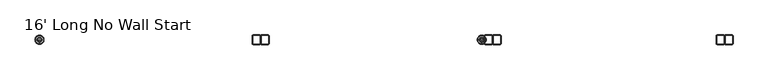
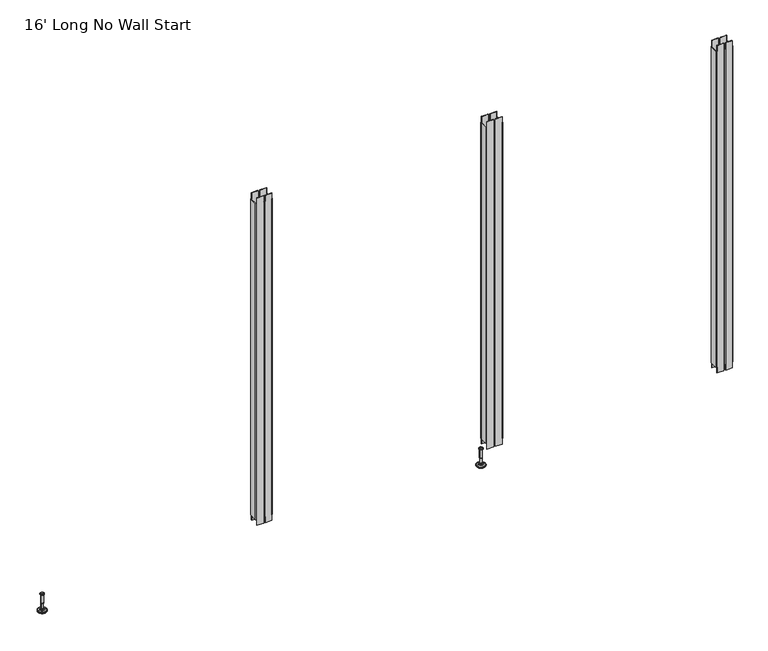
"""IFC4 building model written with IfcOpenShell, lengths in millimetres: furniture geometry, 16' Long No Wall Start."""

from ifc_helpers import new_model, si_unit, frame, origin, place, context, project, spatial, polyline, circle_curve, faceted_brep, source, transform, mapped, element, save
from ifc_brep_helpers import plane_surface, cylinder_surface, revolved_surface, advanced_brep


def furniture_16_long_no_wall_start_f617c77d(model_context):
    return source(origin(), model_context, "Body", "SolidModel", [
        advanced_brep(
        [(2381.0635677, 0.0, 103.7082), (2390.0414891, 0.0, 103.7082), (2372.0856463, 0.0, 103.7082), (2366.9593278, 0.0, 2.1288943), (2395.1678076, 0.0, 2.1288943), (2381.0635677, 0.0, 2.1288943), (2362.081296, 0.0, 3.5276474), (2400.0458394, 0.0, 3.5276474), (2358.319381, 0.0, 6.8476056), (2403.8077544, 0.0, 6.8476056), (2357.2019314, 0.0, 9.6133905), (2404.925204, 0.0, 9.6133905), (2357.2019314, 0.0, 10.4147967), (2404.925204, 0.0, 10.4147967), (2358.0443346, 0.0, 11.9551348), (2404.0828008, 0.0, 11.9551348), (2359.1444772, 0.0, 12.9457077), (2402.9826582, 0.0, 12.9457077), (2366.4481724, 0.0, 14.8420946), (2395.678963, 0.0, 14.8420946), (2373.8663238, 0.0, 15.4910987), (2388.2608116, 0.0, 15.4910987), (2373.8663238, 0.0, 16.2854758), (2388.2608116, 0.0, 16.2854758), (2376.2631166, 0.0, 16.2854758), (2385.8640188, 0.0, 16.2854758), (2376.2631166, 0.0, 20.9180403), (2385.8640188, 0.0, 20.9180403), (2375.247264, 0.0, 21.9338929), (2386.8798714, 0.0, 21.9338929), (2375.247264, 0.0, 50.4138352), (2386.8798714, 0.0, 50.4138352), (2374.0237361, 0.0, 52.0375116), (2388.1033993, 0.0, 52.0375116), (2374.0237361, 0.0, 99.435423), (2388.1033993, 0.0, 99.435423), (2373.1426317, 0.0, 99.7561188), (2388.9845037, 0.0, 99.7561188), (2372.0936428, 0.0, 99.7561188), (2390.0334926, 0.0, 99.7561188), (2370.4286129, 0.0, 100.7174242), (2391.6985225, 0.0, 100.7174242), (2370.4286129, 0.0, 102.7125539), (2391.6985225, 0.0, 102.7125539)],
        [
            (0, 1),
            (1, 2, circle_curve(frame((2381.0635677, 0.0, 103.7082), z_axis=(0.0, 0.0, 1.0), x_axis=(1.0, 0.0, 0.0)), 8.9779214)),
            (2, 0),
            (2, 1, circle_curve(frame((2381.0635677, 0.0, 103.7082), z_axis=(0.0, 0.0, 1.0), x_axis=(1.0, 0.0, 0.0)), 8.9779214)),
            (3, 4, circle_curve(frame((2381.0635677, 0.0, 2.1288943), z_axis=(0.0, 0.0, -1.0), x_axis=(1.0, 0.0, 0.0)), 14.1042399)),
            (4, 5),
            (5, 3),
            (4, 3, circle_curve(frame((2381.0635677, 0.0, 2.1288943), z_axis=(0.0, 0.0, -1.0), x_axis=(1.0, 0.0, 0.0)), 14.1042399)),
            (6, 7, circle_curve(frame((2381.0635677, 0.0, 3.5276474), z_axis=(0.0, 0.0, -1.0), x_axis=(1.0, 0.0, 0.0)), 18.9822717)),
            (7, 4),
            (3, 6),
            (7, 6, circle_curve(frame((2381.0635677, 0.0, 3.5276474), z_axis=(0.0, 0.0, -1.0), x_axis=(1.0, 0.0, 0.0)), 18.9822717)),
            (8, 9, circle_curve(frame((2381.0635677, 0.0, 6.8476056), z_axis=(0.0, 0.0, -1.0), x_axis=(1.0, 0.0, 0.0)), 22.7441867)),
            (9, 7),
            (6, 8),
            (9, 8, circle_curve(frame((2381.0635677, 0.0, 6.8476056), z_axis=(0.0, 0.0, -1.0), x_axis=(1.0, 0.0, 0.0)), 22.7441867)),
            (10, 11, circle_curve(frame((2381.0635677, 0.0, 9.6133905), z_axis=(0.0, 0.0, -1.0), x_axis=(1.0, 0.0, 0.0)), 23.8616363)),
            (11, 9),
            (8, 10),
            (11, 10, circle_curve(frame((2381.0635677, 0.0, 9.6133905), z_axis=(0.0, 0.0, -1.0), x_axis=(1.0, 0.0, 0.0)), 23.8616363)),
            (12, 13, circle_curve(frame((2381.0635677, 0.0, 10.4147967), z_axis=(0.0, 0.0, -1.0), x_axis=(1.0, 0.0, 0.0)), 23.8616363)),
            (13, 11),
            (10, 12),
            (13, 12, circle_curve(frame((2381.0635677, 0.0, 10.4147967), z_axis=(0.0, 0.0, -1.0), x_axis=(1.0, 0.0, 0.0)), 23.8616363)),
            (14, 15, circle_curve(frame((2381.0635677, 0.0, 11.9551348), z_axis=(0.0, 0.0, -1.0), x_axis=(1.0, 0.0, 0.0)), 23.0192331)),
            (15, 13),
            (12, 14),
            (15, 14, circle_curve(frame((2381.0635677, 0.0, 11.9551348), z_axis=(0.0, 0.0, -1.0), x_axis=(1.0, 0.0, 0.0)), 23.0192331)),
            (16, 17, circle_curve(frame((2381.0635677, 0.0, 12.9457077), z_axis=(0.0, 0.0, -1.0), x_axis=(1.0, 0.0, 0.0)), 21.9190905)),
            (17, 15),
            (14, 16),
            (17, 16, circle_curve(frame((2381.0635677, 0.0, 12.9457077), z_axis=(0.0, 0.0, -1.0), x_axis=(1.0, 0.0, 0.0)), 21.9190905)),
            (18, 19, circle_curve(frame((2381.0635677, 0.0, 14.8420946), z_axis=(0.0, 0.0, -1.0), x_axis=(1.0, 0.0, 0.0)), 14.6153953)),
            (19, 17),
            (16, 18),
            (19, 18, circle_curve(frame((2381.0635677, 0.0, 14.8420946), z_axis=(0.0, 0.0, -1.0), x_axis=(1.0, 0.0, 0.0)), 14.6153953)),
            (20, 21, circle_curve(frame((2381.0635677, 0.0, 15.4910987), z_axis=(0.0, 0.0, -1.0), x_axis=(1.0, 0.0, 0.0)), 7.1972439)),
            (21, 19),
            (18, 20),
            (21, 20, circle_curve(frame((2381.0635677, 0.0, 15.4910987), z_axis=(0.0, 0.0, -1.0), x_axis=(1.0, 0.0, 0.0)), 7.1972439)),
            (22, 23, circle_curve(frame((2381.0635677, 0.0, 16.2854758), z_axis=(0.0, 0.0, -1.0), x_axis=(1.0, 0.0, 0.0)), 7.1972439)),
            (23, 21),
            (20, 22),
            (23, 22, circle_curve(frame((2381.0635677, 0.0, 16.2854758), z_axis=(0.0, 0.0, -1.0), x_axis=(1.0, 0.0, 0.0)), 7.1972439)),
            (24, 25, circle_curve(frame((2381.0635677, 0.0, 16.2854758), z_axis=(0.0, 0.0, -1.0), x_axis=(1.0, 0.0, 0.0)), 4.8004511)),
            (25, 23),
            (22, 24),
            (25, 24, circle_curve(frame((2381.0635677, 0.0, 16.2854758), z_axis=(0.0, 0.0, -1.0), x_axis=(1.0, 0.0, 0.0)), 4.8004511)),
            (26, 27, circle_curve(frame((2381.0635677, 0.0, 20.9180403), z_axis=(0.0, 0.0, -1.0), x_axis=(1.0, 0.0, 0.0)), 4.8004511)),
            (27, 25),
            (24, 26),
            (27, 26, circle_curve(frame((2381.0635677, 0.0, 20.9180403), z_axis=(0.0, 0.0, -1.0), x_axis=(1.0, 0.0, 0.0)), 4.8004511)),
            (28, 29, circle_curve(frame((2381.0635677, 0.0, 21.9338929), z_axis=(0.0, 0.0, -1.0), x_axis=(1.0, 0.0, 0.0)), 5.8163037)),
            (29, 27),
            (26, 28),
            (29, 28, circle_curve(frame((2381.0635677, 0.0, 21.9338929), z_axis=(0.0, 0.0, -1.0), x_axis=(1.0, 0.0, 0.0)), 5.8163037)),
            (30, 31, circle_curve(frame((2381.0635677, 0.0, 50.4138352), z_axis=(0.0, 0.0, -1.0), x_axis=(1.0, 0.0, 0.0)), 5.8163037)),
            (31, 29),
            (28, 30),
            (31, 30, circle_curve(frame((2381.0635677, 0.0, 50.4138352), z_axis=(0.0, 0.0, -1.0), x_axis=(1.0, 0.0, 0.0)), 5.8163037)),
            (32, 33, circle_curve(frame((2381.0635677, 0.0, 52.0375116), z_axis=(0.0, 0.0, -1.0), x_axis=(1.0, 0.0, 0.0)), 7.0398316)),
            (33, 31),
            (30, 32),
            (33, 32, circle_curve(frame((2381.0635677, 0.0, 52.0375116), z_axis=(0.0, 0.0, -1.0), x_axis=(1.0, 0.0, 0.0)), 7.0398316)),
            (34, 35, circle_curve(frame((2381.0635677, 0.0, 99.435423), z_axis=(0.0, 0.0, -1.0), x_axis=(1.0, 0.0, 0.0)), 7.0398316)),
            (35, 33),
            (32, 34),
            (35, 34, circle_curve(frame((2381.0635677, 0.0, 99.435423), z_axis=(0.0, 0.0, -1.0), x_axis=(1.0, 0.0, 0.0)), 7.0398316)),
            (36, 37, circle_curve(frame((2381.0635677, 0.0, 99.7561188), z_axis=(0.0, 0.0, -1.0), x_axis=(1.0, 0.0, 0.0)), 7.920936)),
            (37, 35),
            (34, 36),
            (37, 36, circle_curve(frame((2381.0635677, 0.0, 99.7561188), z_axis=(0.0, 0.0, -1.0), x_axis=(1.0, 0.0, 0.0)), 7.920936)),
            (38, 39, circle_curve(frame((2381.0635677, 0.0, 99.7561188), z_axis=(0.0, 0.0, -1.0), x_axis=(1.0, 0.0, 0.0)), 8.9699249)),
            (39, 37),
            (36, 38),
            (39, 38, circle_curve(frame((2381.0635677, 0.0, 99.7561188), z_axis=(0.0, 0.0, -1.0), x_axis=(1.0, 0.0, 0.0)), 8.9699249)),
            (40, 41, circle_curve(frame((2381.0635677, 0.0, 100.7174242), z_axis=(0.0, 0.0, -1.0), x_axis=(1.0, 0.0, 0.0)), 10.6349548)),
            (41, 39),
            (38, 40),
            (41, 40, circle_curve(frame((2381.0635677, 0.0, 100.7174242), z_axis=(0.0, 0.0, -1.0), x_axis=(1.0, 0.0, 0.0)), 10.6349548)),
            (42, 43, circle_curve(frame((2381.0635677, 0.0, 102.7125539), z_axis=(0.0, 0.0, -1.0), x_axis=(1.0, 0.0, 0.0)), 10.6349548)),
            (43, 41),
            (40, 42),
            (43, 42, circle_curve(frame((2381.0635677, 0.0, 102.7125539), z_axis=(0.0, 0.0, -1.0), x_axis=(1.0, 0.0, 0.0)), 10.6349548)),
            (1, 43),
            (42, 2),
        ],
        [
            plane_surface(frame((2381.0635677, 0.0, 103.7082), z_axis=(0.0, 0.0, 1.0), x_axis=(1.0, 0.0, 0.0))),
            plane_surface(frame((2381.0635677, 0.0, 2.1288943), z_axis=(0.0, 0.0, -1.0), x_axis=(1.0, 0.0, 0.0))),
            revolved_surface(polyline([(2395.1678076, 0.0, 2.1288943), (2400.0458394, 0.0, 3.5276474)]), (2381.0635677, 0.0, 103.7082), (0.0, 0.0, 1.0)),
            revolved_surface(polyline([(2400.0458394, 0.0, 3.5276474), (2403.8077544, 0.0, 6.8476056)]), (2381.0635677, 0.0, 103.7082), (0.0, 0.0, 1.0)),
            revolved_surface(polyline([(2403.8077544, 0.0, 6.8476056), (2404.925204, 0.0, 9.6133905)]), (2381.0635677, 0.0, 103.7082), (0.0, 0.0, 1.0)),
            cylinder_surface(frame((2381.0635677, 0.0, 103.7082), z_axis=(0.0, 0.0, 1.0), x_axis=(1.0, 0.0, 0.0)), 23.8616363),
            revolved_surface(polyline([(2404.925204, 0.0, 10.4147967), (2404.0828008, 0.0, 11.9551348)]), (2381.0635677, 0.0, 103.7082), (0.0, 0.0, 1.0)),
            revolved_surface(polyline([(2404.0828008, 0.0, 11.9551348), (2402.9826582, 0.0, 12.9457077)]), (2381.0635677, 0.0, 103.7082), (0.0, 0.0, 1.0)),
            revolved_surface(polyline([(2402.9826582, 0.0, 12.9457077), (2395.678963, 0.0, 14.8420946)]), (2381.0635677, 0.0, 103.7082), (0.0, 0.0, 1.0)),
            revolved_surface(polyline([(2395.678963, 0.0, 14.8420946), (2388.2608116, 0.0, 15.4910987)]), (2381.0635677, 0.0, 103.7082), (0.0, 0.0, 1.0)),
            cylinder_surface(frame((2381.0635677, 0.0, 103.7082), z_axis=(0.0, 0.0, 1.0), x_axis=(1.0, 0.0, 0.0)), 7.1972439),
            plane_surface(frame((2381.0635677, 0.0, 16.2854758), z_axis=(0.0, 0.0, 1.0), x_axis=(1.0, 0.0, 0.0))),
            cylinder_surface(frame((2381.0635677, 0.0, 103.7082), z_axis=(0.0, 0.0, 1.0), x_axis=(1.0, 0.0, 0.0)), 4.8004511),
            revolved_surface(polyline([(2385.8640188, 0.0, 20.9180403), (2386.8798714, 0.0, 21.9338929)]), (2381.0635677, 0.0, 103.7082), (0.0, 0.0, 1.0)),
            cylinder_surface(frame((2381.0635677, 0.0, 103.7082), z_axis=(0.0, 0.0, 1.0), x_axis=(1.0, 0.0, 0.0)), 5.8163037),
            revolved_surface(polyline([(2386.8798714, 0.0, 50.4138352), (2388.1033993, 0.0, 52.0375116)]), (2381.0635677, 0.0, 103.7082), (0.0, 0.0, 1.0)),
            cylinder_surface(frame((2381.0635677, 0.0, 103.7082), z_axis=(0.0, 0.0, 1.0), x_axis=(1.0, 0.0, 0.0)), 7.0398316),
            revolved_surface(polyline([(2388.1033993, 0.0, 99.435423), (2388.9845037, 0.0, 99.7561188)]), (2381.0635677, 0.0, 103.7082), (0.0, 0.0, 1.0)),
            plane_surface(frame((2381.0635677, 0.0, 99.7561188), z_axis=(0.0, 0.0, -1.0), x_axis=(1.0, 0.0, 0.0))),
            revolved_surface(polyline([(2390.0334926, 0.0, 99.7561188), (2391.6985225, 0.0, 100.7174242)]), (2381.0635677, 0.0, 103.7082), (0.0, 0.0, 1.0)),
            cylinder_surface(frame((2381.0635677, 0.0, 103.7082), z_axis=(0.0, 0.0, 1.0), x_axis=(1.0, 0.0, 0.0)), 10.6349548),
            revolved_surface(polyline([(2391.6985225, 0.0, 102.7125539), (2390.0414891, 0.0, 103.7082)]), (2381.0635677, 0.0, 103.7082), (0.0, 0.0, 1.0)),
        ],
        [
            (0, [[1, 2, 3]]),
            (0, [[-3, 4, -1]]),
            (1, [[5, 6, 7]]),
            (1, [[8, -7, -6]]),
            (2, [[9, 10, -5, 11]]),
            (2, [[12, -11, -8, -10]]),
            (3, [[13, 14, -9, 15]]),
            (3, [[16, -15, -12, -14]]),
            (4, [[17, 18, -13, 19]]),
            (4, [[20, -19, -16, -18]]),
            (5, [[21, 22, -17, 23]]),
            (5, [[24, -23, -20, -22]]),
            (6, [[25, 26, -21, 27]]),
            (6, [[28, -27, -24, -26]]),
            (7, [[29, 30, -25, 31]]),
            (7, [[32, -31, -28, -30]]),
            (8, [[33, 34, -29, 35]]),
            (8, [[36, -35, -32, -34]]),
            (9, [[37, 38, -33, 39]]),
            (9, [[40, -39, -36, -38]]),
            (10, [[41, 42, -37, 43]]),
            (10, [[44, -43, -40, -42]]),
            (11, [[45, 46, -41, 47]]),
            (11, [[48, -47, -44, -46]]),
            (12, [[49, 50, -45, 51]]),
            (12, [[52, -51, -48, -50]]),
            (13, [[53, 54, -49, 55]]),
            (13, [[56, -55, -52, -54]]),
            (14, [[57, 58, -53, 59]]),
            (14, [[60, -59, -56, -58]]),
            (15, [[61, 62, -57, 63]]),
            (15, [[64, -63, -60, -62]]),
            (16, [[65, 66, -61, 67]]),
            (16, [[68, -67, -64, -66]]),
            (17, [[69, 70, -65, 71]]),
            (17, [[72, -71, -68, -70]]),
            (18, [[73, 74, -69, 75]]),
            (18, [[76, -75, -72, -74]]),
            (19, [[77, 78, -73, 79]]),
            (19, [[80, -79, -76, -78]]),
            (20, [[81, 82, -77, 83]]),
            (20, [[84, -83, -80, -82]]),
            (21, [[-2, 85, -81, 86]]),
            (21, [[-4, -86, -84, -85]]),
        ],
    ),
        advanced_brep(
        [(57.0627865, 0.0, 103.7082), (66.0407079, 0.0, 103.7082), (48.084865, 0.0, 103.7082), (42.9585465, 0.0, 2.1288943), (71.1670264, 0.0, 2.1288943), (57.0627865, 0.0, 2.1288943), (38.0805148, 0.0, 3.5276474), (76.0450581, 0.0, 3.5276474), (34.3185997, 0.0, 6.8476056), (79.8069732, 0.0, 6.8476056), (33.2011501, 0.0, 9.6133905), (80.9244228, 0.0, 9.6133905), (33.2011501, 0.0, 10.4147967), (80.9244228, 0.0, 10.4147967), (34.0435533, 0.0, 11.9551348), (80.0820196, 0.0, 11.9551348), (35.143696, 0.0, 12.9457077), (78.9818769, 0.0, 12.9457077), (42.4473912, 0.0, 14.8420946), (71.6781817, 0.0, 14.8420946), (49.8655426, 0.0, 15.4910987), (64.2600304, 0.0, 15.4910987), (49.8655426, 0.0, 16.2854758), (64.2600304, 0.0, 16.2854758), (52.2623354, 0.0, 16.2854758), (61.8632375, 0.0, 16.2854758), (52.2623354, 0.0, 20.9180403), (61.8632375, 0.0, 20.9180403), (51.2464827, 0.0, 21.9338929), (62.8790902, 0.0, 21.9338929), (51.2464827, 0.0, 50.4138352), (62.8790902, 0.0, 50.4138352), (50.0229548, 0.0, 52.0375116), (64.1026181, 0.0, 52.0375116), (50.0229548, 0.0, 99.435423), (64.1026181, 0.0, 99.435423), (49.1418505, 0.0, 99.7561188), (64.9837224, 0.0, 99.7561188), (48.0928615, 0.0, 99.7561188), (66.0327114, 0.0, 99.7561188), (46.4278316, 0.0, 100.7174242), (67.6977413, 0.0, 100.7174242), (46.4278316, 0.0, 102.7125539), (67.6977413, 0.0, 102.7125539)],
        [
            (0, 1),
            (1, 2, circle_curve(frame((57.0627865, 0.0, 103.7082), z_axis=(0.0, 0.0, 1.0), x_axis=(1.0, 0.0, 0.0)), 8.9779214)),
            (2, 0),
            (2, 1, circle_curve(frame((57.0627865, 0.0, 103.7082), z_axis=(0.0, 0.0, 1.0), x_axis=(1.0, 0.0, 0.0)), 8.9779214)),
            (3, 4, circle_curve(frame((57.0627865, 0.0, 2.1288943), z_axis=(0.0, 0.0, -1.0), x_axis=(1.0, 0.0, 0.0)), 14.1042399)),
            (4, 5),
            (5, 3),
            (4, 3, circle_curve(frame((57.0627865, 0.0, 2.1288943), z_axis=(0.0, 0.0, -1.0), x_axis=(1.0, 0.0, 0.0)), 14.1042399)),
            (6, 7, circle_curve(frame((57.0627865, 0.0, 3.5276474), z_axis=(0.0, 0.0, -1.0), x_axis=(1.0, 0.0, 0.0)), 18.9822717)),
            (7, 4),
            (3, 6),
            (7, 6, circle_curve(frame((57.0627865, 0.0, 3.5276474), z_axis=(0.0, 0.0, -1.0), x_axis=(1.0, 0.0, 0.0)), 18.9822717)),
            (8, 9, circle_curve(frame((57.0627865, 0.0, 6.8476056), z_axis=(0.0, 0.0, -1.0), x_axis=(1.0, 0.0, 0.0)), 22.7441867)),
            (9, 7),
            (6, 8),
            (9, 8, circle_curve(frame((57.0627865, 0.0, 6.8476056), z_axis=(0.0, 0.0, -1.0), x_axis=(1.0, 0.0, 0.0)), 22.7441867)),
            (10, 11, circle_curve(frame((57.0627865, 0.0, 9.6133905), z_axis=(0.0, 0.0, -1.0), x_axis=(1.0, 0.0, 0.0)), 23.8616363)),
            (11, 9),
            (8, 10),
            (11, 10, circle_curve(frame((57.0627865, 0.0, 9.6133905), z_axis=(0.0, 0.0, -1.0), x_axis=(1.0, 0.0, 0.0)), 23.8616363)),
            (12, 13, circle_curve(frame((57.0627865, 0.0, 10.4147967), z_axis=(0.0, 0.0, -1.0), x_axis=(1.0, 0.0, 0.0)), 23.8616363)),
            (13, 11),
            (10, 12),
            (13, 12, circle_curve(frame((57.0627865, 0.0, 10.4147967), z_axis=(0.0, 0.0, -1.0), x_axis=(1.0, 0.0, 0.0)), 23.8616363)),
            (14, 15, circle_curve(frame((57.0627865, 0.0, 11.9551348), z_axis=(0.0, 0.0, -1.0), x_axis=(1.0, 0.0, 0.0)), 23.0192331)),
            (15, 13),
            (12, 14),
            (15, 14, circle_curve(frame((57.0627865, 0.0, 11.9551348), z_axis=(0.0, 0.0, -1.0), x_axis=(1.0, 0.0, 0.0)), 23.0192331)),
            (16, 17, circle_curve(frame((57.0627865, 0.0, 12.9457077), z_axis=(0.0, 0.0, -1.0), x_axis=(1.0, 0.0, 0.0)), 21.9190905)),
            (17, 15),
            (14, 16),
            (17, 16, circle_curve(frame((57.0627865, 0.0, 12.9457077), z_axis=(0.0, 0.0, -1.0), x_axis=(1.0, 0.0, 0.0)), 21.9190905)),
            (18, 19, circle_curve(frame((57.0627865, 0.0, 14.8420946), z_axis=(0.0, 0.0, -1.0), x_axis=(1.0, 0.0, 0.0)), 14.6153953)),
            (19, 17),
            (16, 18),
            (19, 18, circle_curve(frame((57.0627865, 0.0, 14.8420946), z_axis=(0.0, 0.0, -1.0), x_axis=(1.0, 0.0, 0.0)), 14.6153953)),
            (20, 21, circle_curve(frame((57.0627865, 0.0, 15.4910987), z_axis=(0.0, 0.0, -1.0), x_axis=(1.0, 0.0, 0.0)), 7.1972439)),
            (21, 19),
            (18, 20),
            (21, 20, circle_curve(frame((57.0627865, 0.0, 15.4910987), z_axis=(0.0, 0.0, -1.0), x_axis=(1.0, 0.0, 0.0)), 7.1972439)),
            (22, 23, circle_curve(frame((57.0627865, 0.0, 16.2854758), z_axis=(0.0, 0.0, -1.0), x_axis=(1.0, 0.0, 0.0)), 7.1972439)),
            (23, 21),
            (20, 22),
            (23, 22, circle_curve(frame((57.0627865, 0.0, 16.2854758), z_axis=(0.0, 0.0, -1.0), x_axis=(1.0, 0.0, 0.0)), 7.1972439)),
            (24, 25, circle_curve(frame((57.0627865, 0.0, 16.2854758), z_axis=(0.0, 0.0, -1.0), x_axis=(1.0, 0.0, 0.0)), 4.8004511)),
            (25, 23),
            (22, 24),
            (25, 24, circle_curve(frame((57.0627865, 0.0, 16.2854758), z_axis=(0.0, 0.0, -1.0), x_axis=(1.0, 0.0, 0.0)), 4.8004511)),
            (26, 27, circle_curve(frame((57.0627865, 0.0, 20.9180403), z_axis=(0.0, 0.0, -1.0), x_axis=(1.0, 0.0, 0.0)), 4.8004511)),
            (27, 25),
            (24, 26),
            (27, 26, circle_curve(frame((57.0627865, 0.0, 20.9180403), z_axis=(0.0, 0.0, -1.0), x_axis=(1.0, 0.0, 0.0)), 4.8004511)),
            (28, 29, circle_curve(frame((57.0627865, 0.0, 21.9338929), z_axis=(0.0, 0.0, -1.0), x_axis=(1.0, 0.0, 0.0)), 5.8163037)),
            (29, 27),
            (26, 28),
            (29, 28, circle_curve(frame((57.0627865, 0.0, 21.9338929), z_axis=(0.0, 0.0, -1.0), x_axis=(1.0, 0.0, 0.0)), 5.8163037)),
            (30, 31, circle_curve(frame((57.0627865, 0.0, 50.4138352), z_axis=(0.0, 0.0, -1.0), x_axis=(1.0, 0.0, 0.0)), 5.8163037)),
            (31, 29),
            (28, 30),
            (31, 30, circle_curve(frame((57.0627865, 0.0, 50.4138352), z_axis=(0.0, 0.0, -1.0), x_axis=(1.0, 0.0, 0.0)), 5.8163037)),
            (32, 33, circle_curve(frame((57.0627865, 0.0, 52.0375116), z_axis=(0.0, 0.0, -1.0), x_axis=(1.0, 0.0, 0.0)), 7.0398316)),
            (33, 31),
            (30, 32),
            (33, 32, circle_curve(frame((57.0627865, 0.0, 52.0375116), z_axis=(0.0, 0.0, -1.0), x_axis=(1.0, 0.0, 0.0)), 7.0398316)),
            (34, 35, circle_curve(frame((57.0627865, 0.0, 99.435423), z_axis=(0.0, 0.0, -1.0), x_axis=(1.0, 0.0, 0.0)), 7.0398316)),
            (35, 33),
            (32, 34),
            (35, 34, circle_curve(frame((57.0627865, 0.0, 99.435423), z_axis=(0.0, 0.0, -1.0), x_axis=(1.0, 0.0, 0.0)), 7.0398316)),
            (36, 37, circle_curve(frame((57.0627865, 0.0, 99.7561188), z_axis=(0.0, 0.0, -1.0), x_axis=(1.0, 0.0, 0.0)), 7.920936)),
            (37, 35),
            (34, 36),
            (37, 36, circle_curve(frame((57.0627865, 0.0, 99.7561188), z_axis=(0.0, 0.0, -1.0), x_axis=(1.0, 0.0, 0.0)), 7.920936)),
            (38, 39, circle_curve(frame((57.0627865, 0.0, 99.7561188), z_axis=(0.0, 0.0, -1.0), x_axis=(1.0, 0.0, 0.0)), 8.9699249)),
            (39, 37),
            (36, 38),
            (39, 38, circle_curve(frame((57.0627865, 0.0, 99.7561188), z_axis=(0.0, 0.0, -1.0), x_axis=(1.0, 0.0, 0.0)), 8.9699249)),
            (40, 41, circle_curve(frame((57.0627865, 0.0, 100.7174242), z_axis=(0.0, 0.0, -1.0), x_axis=(1.0, 0.0, 0.0)), 10.6349548)),
            (41, 39),
            (38, 40),
            (41, 40, circle_curve(frame((57.0627865, 0.0, 100.7174242), z_axis=(0.0, 0.0, -1.0), x_axis=(1.0, 0.0, 0.0)), 10.6349548)),
            (42, 43, circle_curve(frame((57.0627865, 0.0, 102.7125539), z_axis=(0.0, 0.0, -1.0), x_axis=(1.0, 0.0, 0.0)), 10.6349548)),
            (43, 41),
            (40, 42),
            (43, 42, circle_curve(frame((57.0627865, 0.0, 102.7125539), z_axis=(0.0, 0.0, -1.0), x_axis=(1.0, 0.0, 0.0)), 10.6349548)),
            (1, 43),
            (42, 2),
        ],
        [
            plane_surface(frame((57.0627865, 0.0, 103.7082), z_axis=(0.0, 0.0, 1.0), x_axis=(1.0, 0.0, 0.0))),
            plane_surface(frame((57.0627865, 0.0, 2.1288943), z_axis=(0.0, 0.0, -1.0), x_axis=(1.0, 0.0, 0.0))),
            revolved_surface(polyline([(71.1670264, 0.0, 2.1288943), (76.0450581, 0.0, 3.5276474)]), (57.0627865, 0.0, 103.7082), (0.0, 0.0, 1.0)),
            revolved_surface(polyline([(76.0450581, 0.0, 3.5276474), (79.8069732, 0.0, 6.8476056)]), (57.0627865, 0.0, 103.7082), (0.0, 0.0, 1.0)),
            revolved_surface(polyline([(79.8069732, 0.0, 6.8476056), (80.9244228, 0.0, 9.6133905)]), (57.0627865, 0.0, 103.7082), (0.0, 0.0, 1.0)),
            cylinder_surface(frame((57.0627865, 0.0, 103.7082), z_axis=(0.0, 0.0, 1.0), x_axis=(1.0, 0.0, 0.0)), 23.8616363),
            revolved_surface(polyline([(80.9244228, 0.0, 10.4147967), (80.0820196, 0.0, 11.9551348)]), (57.0627865, 0.0, 103.7082), (0.0, 0.0, 1.0)),
            revolved_surface(polyline([(80.0820196, 0.0, 11.9551348), (78.9818769, 0.0, 12.9457077)]), (57.0627865, 0.0, 103.7082), (0.0, 0.0, 1.0)),
            revolved_surface(polyline([(78.9818769, 0.0, 12.9457077), (71.6781817, 0.0, 14.8420946)]), (57.0627865, 0.0, 103.7082), (0.0, 0.0, 1.0)),
            revolved_surface(polyline([(71.6781817, 0.0, 14.8420946), (64.2600304, 0.0, 15.4910987)]), (57.0627865, 0.0, 103.7082), (0.0, 0.0, 1.0)),
            cylinder_surface(frame((57.0627865, 0.0, 103.7082), z_axis=(0.0, 0.0, 1.0), x_axis=(1.0, 0.0, 0.0)), 7.1972439),
            plane_surface(frame((57.0627865, 0.0, 16.2854758), z_axis=(0.0, 0.0, 1.0), x_axis=(1.0, 0.0, 0.0))),
            cylinder_surface(frame((57.0627865, 0.0, 103.7082), z_axis=(0.0, 0.0, 1.0), x_axis=(1.0, 0.0, 0.0)), 4.8004511),
            revolved_surface(polyline([(61.8632375, 0.0, 20.9180403), (62.8790902, 0.0, 21.9338929)]), (57.0627865, 0.0, 103.7082), (0.0, 0.0, 1.0)),
            cylinder_surface(frame((57.0627865, 0.0, 103.7082), z_axis=(0.0, 0.0, 1.0), x_axis=(1.0, 0.0, 0.0)), 5.8163037),
            revolved_surface(polyline([(62.8790902, 0.0, 50.4138352), (64.1026181, 0.0, 52.0375116)]), (57.0627865, 0.0, 103.7082), (0.0, 0.0, 1.0)),
            cylinder_surface(frame((57.0627865, 0.0, 103.7082), z_axis=(0.0, 0.0, 1.0), x_axis=(1.0, 0.0, 0.0)), 7.0398316),
            revolved_surface(polyline([(64.1026181, 0.0, 99.435423), (64.9837224, 0.0, 99.7561188)]), (57.0627865, 0.0, 103.7082), (0.0, 0.0, 1.0)),
            plane_surface(frame((57.0627865, 0.0, 99.7561188), z_axis=(0.0, 0.0, -1.0), x_axis=(1.0, 0.0, 0.0))),
            revolved_surface(polyline([(66.0327114, 0.0, 99.7561188), (67.6977413, 0.0, 100.7174242)]), (57.0627865, 0.0, 103.7082), (0.0, 0.0, 1.0)),
            cylinder_surface(frame((57.0627865, 0.0, 103.7082), z_axis=(0.0, 0.0, 1.0), x_axis=(1.0, 0.0, 0.0)), 10.6349548),
            revolved_surface(polyline([(67.6977413, 0.0, 102.7125539), (66.0407079, 0.0, 103.7082)]), (57.0627865, 0.0, 103.7082), (0.0, 0.0, 1.0)),
        ],
        [
            (0, [[1, 2, 3]]),
            (0, [[-3, 4, -1]]),
            (1, [[5, 6, 7]]),
            (1, [[8, -7, -6]]),
            (2, [[9, 10, -5, 11]]),
            (2, [[12, -11, -8, -10]]),
            (3, [[13, 14, -9, 15]]),
            (3, [[16, -15, -12, -14]]),
            (4, [[17, 18, -13, 19]]),
            (4, [[20, -19, -16, -18]]),
            (5, [[21, 22, -17, 23]]),
            (5, [[24, -23, -20, -22]]),
            (6, [[25, 26, -21, 27]]),
            (6, [[28, -27, -24, -26]]),
            (7, [[29, 30, -25, 31]]),
            (7, [[32, -31, -28, -30]]),
            (8, [[33, 34, -29, 35]]),
            (8, [[36, -35, -32, -34]]),
            (9, [[37, 38, -33, 39]]),
            (9, [[40, -39, -36, -38]]),
            (10, [[41, 42, -37, 43]]),
            (10, [[44, -43, -40, -42]]),
            (11, [[45, 46, -41, 47]]),
            (11, [[48, -47, -44, -46]]),
            (12, [[49, 50, -45, 51]]),
            (12, [[52, -51, -48, -50]]),
            (13, [[53, 54, -49, 55]]),
            (13, [[56, -55, -52, -54]]),
            (14, [[57, 58, -53, 59]]),
            (14, [[60, -59, -56, -58]]),
            (15, [[61, 62, -57, 63]]),
            (15, [[64, -63, -60, -62]]),
            (16, [[65, 66, -61, 67]]),
            (16, [[68, -67, -64, -66]]),
            (17, [[69, 70, -65, 71]]),
            (17, [[72, -71, -68, -70]]),
            (18, [[73, 74, -69, 75]]),
            (18, [[76, -75, -72, -74]]),
            (19, [[77, 78, -73, 79]]),
            (19, [[80, -79, -76, -78]]),
            (20, [[81, 82, -77, 83]]),
            (20, [[84, -83, -80, -82]]),
            (21, [[-2, 85, -81, 86]]),
            (21, [[-4, -86, -84, -85]]),
        ],
    ),
        faceted_brep([(1223.6958, 25.4, 1939.7490515), (1223.6958, 23.1181008, 1939.7490515), (1224.1151471, 23.2918, 1939.7490515), (1258.7348529, 23.2918, 1939.7490515), (1259.1542, 23.1181008, 1939.7490515), (1259.1542, 25.4, 1939.7490515), (1259.1542, -25.4, 1939.7490515), (1259.1542, -23.1181008, 1939.7490515), (1258.7348529, -23.2918, 1939.7490515), (1224.1151471, -23.2918, 1939.7490515), (1223.6958, -23.1181008, 1939.7490515), (1223.6958, -25.4, 1939.7490515), (1223.6958, -25.4, 106.8850515), (1223.6958, -23.1181008, 106.8850515), (1224.1151471, -23.2918, 106.8850515), (1258.7348529, -23.2918, 106.8850515), (1259.1542, -23.1181008, 106.8850515), (1259.1542, -25.4, 106.8850515), (1259.1542, 25.4, 106.8850515), (1259.1542, 23.1181008, 106.8850515), (1258.7348529, 23.2918, 106.8850515), (1224.1151471, 23.2918, 106.8850515), (1223.6958, 23.1181008, 106.8850515), (1223.6958, 25.4, 106.8850515), (1263.65, -20.9042, 1907.7450515), (1263.65, -20.9042, 138.8890515), (1263.65, 20.9042, 138.8890515), (1263.65, 20.9042, 1907.7450515), (1223.6958, -25.4, 1907.7450515), (1223.6958, -25.4, 138.8890515), (1259.1542, -25.4, 138.8890515), (1259.1542, -25.4, 1907.7450515), (1219.2, -20.9042, 138.8890515), (1219.2, -20.9042, 1907.7450515), (1219.2, 20.9042, 1907.7450515), (1219.2, 20.9042, 138.8890515), (1259.1542, 25.4, 1907.7450515), (1259.1542, 25.4, 138.8890515), (1223.6958, 25.4, 138.8890515), (1223.6958, 25.4, 1907.7450515), (1262.3332107, 24.0832107, 1907.7450515), (1262.3332107, 24.0832107, 138.8890515), (1262.3332107, -24.0832107, 1907.7450515), (1262.3332107, -24.0832107, 138.8890515), (1220.5167893, -24.0832107, 1907.7450515), (1220.5167893, -24.0832107, 138.8890515), (1220.5167893, 24.0832107, 1907.7450515), (1220.5167893, 24.0832107, 138.8890515), (1261.5418, 20.4848529, 1907.7450515), (1261.5418, 20.4848529, 138.8890515), (1261.5418, -20.4848529, 138.8890515), (1261.5418, -20.4848529, 1907.7450515), (1260.7196642, 22.4696642, 1907.7450515), (1260.7196642, 22.4696642, 138.8890515), (1259.1542, 23.1181008, 138.8890515), (1259.1542, 23.1181008, 1907.7450515), (1223.6958, 23.1181008, 1907.7450515), (1222.1303358, 22.4696642, 1907.7450515), (1222.1303358, 22.4696642, 138.8890515), (1223.6958, 23.1181008, 138.8890515), (1221.3082, 20.4848529, 1907.7450515), (1221.3082, 20.4848529, 138.8890515), (1221.3082, -20.4848529, 1907.7450515), (1221.3082, -20.4848529, 138.8890515), (1222.1303358, -22.4696642, 1907.7450515), (1222.1303358, -22.4696642, 138.8890515), (1223.6958, -23.1181008, 138.8890515), (1223.6958, -23.1181008, 1907.7450515), (1259.1542, -23.1181008, 1907.7450515), (1260.7196642, -22.4696642, 1907.7450515), (1260.7196642, -22.4696642, 138.8890515), (1259.1542, -23.1181008, 138.8890515)], [[[0, 1, 2, 3, 4, 5]], [[6, 7, 8, 9, 10, 11]], [[12, 13, 14, 15, 16, 17]], [[18, 19, 20, 21, 22, 23]], [[24, 25, 26, 27]], [[11, 28, 29, 12, 17, 30, 31, 6]], [[32, 33, 34, 35]], [[5, 36, 37, 18, 23, 38, 39, 0]], [[40, 41, 37, 36]], [[27, 26, 41, 40]], [[42, 43, 25, 24]], [[31, 30, 43, 42]], [[29, 28, 44, 45]], [[45, 44, 33, 32]], [[35, 34, 46, 47]], [[47, 46, 39, 38]], [[48, 49, 50, 51]], [[52, 53, 49, 48]], [[20, 19, 54, 53, 52, 55, 4, 3]], [[2, 21, 20, 3]], [[2, 1, 56, 57, 58, 59, 22, 21]], [[58, 57, 60, 61]], [[61, 60, 62, 63]], [[63, 62, 64, 65]], [[14, 13, 66, 65, 64, 67, 10, 9]], [[8, 15, 14, 9]], [[8, 7, 68, 69, 70, 71, 16, 15]], [[51, 50, 70, 69]], [[55, 52, 48, 51, 69, 68, 31, 42, 24, 27, 40, 36]], [[36, 5, 4, 55]], [[68, 7, 6, 31]], [[37, 41, 26, 25, 43, 30, 71, 70, 50, 49, 53, 54]], [[30, 17, 16, 71]], [[54, 19, 18, 37]], [[59, 58, 61, 63, 65, 66, 29, 45, 32, 35, 47, 38]], [[38, 23, 22, 59]], [[66, 13, 12, 29]], [[39, 46, 34, 33, 44, 28, 67, 64, 62, 60, 57, 56]], [[28, 11, 10, 67]], [[56, 1, 0, 39]]]),
        faceted_brep([(1179.2458, 25.4, 1939.7490515), (1179.2458, 23.1181008, 1939.7490515), (1179.6651471, 23.2918, 1939.7490515), (1214.2848529, 23.2918, 1939.7490515), (1214.7042, 23.1181008, 1939.7490515), (1214.7042, 25.4, 1939.7490515), (1214.7042, -25.4, 1939.7490515), (1214.7042, -23.1181008, 1939.7490515), (1214.2848529, -23.2918, 1939.7490515), (1179.6651471, -23.2918, 1939.7490515), (1179.2458, -23.1181008, 1939.7490515), (1179.2458, -25.4, 1939.7490515), (1179.2458, -25.4, 106.8850515), (1179.2458, -23.1181008, 106.8850515), (1179.6651471, -23.2918, 106.8850515), (1214.2848529, -23.2918, 106.8850515), (1214.7042, -23.1181008, 106.8850515), (1214.7042, -25.4, 106.8850515), (1214.7042, 25.4, 106.8850515), (1214.7042, 23.1181008, 106.8850515), (1214.2848529, 23.2918, 106.8850515), (1179.6651471, 23.2918, 106.8850515), (1179.2458, 23.1181008, 106.8850515), (1179.2458, 25.4, 106.8850515), (1174.75, 20.9042, 1907.7450515), (1174.75, 20.9042, 138.8890515), (1174.75, -20.9042, 138.8890515), (1174.75, -20.9042, 1907.7450515), (1179.2458, -25.4, 1907.7450515), (1179.2458, -25.4, 138.8890515), (1214.7042, -25.4, 138.8890515), (1214.7042, -25.4, 1907.7450515), (1219.2, -20.9042, 1907.7450515), (1219.2, -20.9042, 138.8890515), (1219.2, 20.9042, 138.8890515), (1219.2, 20.9042, 1907.7450515), (1214.7042, 25.4, 1907.7450515), (1214.7042, 25.4, 138.8890515), (1179.2458, 25.4, 138.8890515), (1179.2458, 25.4, 1907.7450515), (1176.0667893, 24.0832107, 138.8890515), (1176.0667893, 24.0832107, 1907.7450515), (1176.0667893, -24.0832107, 138.8890515), (1176.0667893, -24.0832107, 1907.7450515), (1217.8832107, -24.0832107, 138.8890515), (1217.8832107, -24.0832107, 1907.7450515), (1217.8832107, 24.0832107, 138.8890515), (1217.8832107, 24.0832107, 1907.7450515), (1176.8582, -20.4848529, 1907.7450515), (1176.8582, -20.4848529, 138.8890515), (1176.8582, 20.4848529, 138.8890515), (1176.8582, 20.4848529, 1907.7450515), (1177.6803358, 22.4696642, 138.8890515), (1177.6803358, 22.4696642, 1907.7450515), (1179.2458, 23.1181008, 1907.7450515), (1179.2458, 23.1181008, 138.8890515), (1214.7042, 23.1181008, 138.8890515), (1216.2696642, 22.4696642, 138.8890515), (1216.2696642, 22.4696642, 1907.7450515), (1214.7042, 23.1181008, 1907.7450515), (1217.0918, 20.4848529, 138.8890515), (1217.0918, 20.4848529, 1907.7450515), (1217.0918, -20.4848529, 138.8890515), (1217.0918, -20.4848529, 1907.7450515), (1216.2696642, -22.4696642, 138.8890515), (1216.2696642, -22.4696642, 1907.7450515), (1214.7042, -23.1181008, 1907.7450515), (1214.7042, -23.1181008, 138.8890515), (1179.2458, -23.1181008, 138.8890515), (1177.6803358, -22.4696642, 138.8890515), (1177.6803358, -22.4696642, 1907.7450515), (1179.2458, -23.1181008, 1907.7450515)], [[[0, 1, 2, 3, 4, 5]], [[6, 7, 8, 9, 10, 11]], [[12, 13, 14, 15, 16, 17]], [[18, 19, 20, 21, 22, 23]], [[24, 25, 26, 27]], [[11, 28, 29, 12, 17, 30, 31, 6]], [[32, 33, 34, 35]], [[5, 36, 37, 18, 23, 38, 39, 0]], [[39, 38, 40, 41]], [[41, 40, 25, 24]], [[27, 26, 42, 43]], [[43, 42, 29, 28]], [[31, 30, 44, 45]], [[45, 44, 33, 32]], [[35, 34, 46, 47]], [[47, 46, 37, 36]], [[48, 49, 50, 51]], [[51, 50, 52, 53]], [[2, 1, 54, 53, 52, 55, 22, 21]], [[2, 21, 20, 3]], [[20, 19, 56, 57, 58, 59, 4, 3]], [[58, 57, 60, 61]], [[61, 60, 62, 63]], [[63, 62, 64, 65]], [[8, 7, 66, 65, 64, 67, 16, 15]], [[8, 15, 14, 9]], [[14, 13, 68, 69, 70, 71, 10, 9]], [[70, 69, 49, 48]], [[39, 41, 24, 27, 43, 28, 71, 70, 48, 51, 53, 54]], [[28, 11, 10, 71]], [[54, 1, 0, 39]], [[55, 52, 50, 49, 69, 68, 29, 42, 26, 25, 40, 38]], [[38, 23, 22, 55]], [[68, 13, 12, 29]], [[59, 58, 61, 63, 65, 66, 31, 45, 32, 35, 47, 36]], [[36, 5, 4, 59]], [[66, 7, 6, 31]], [[37, 46, 34, 33, 44, 30, 67, 64, 62, 60, 57, 56]], [[30, 17, 16, 67]], [[56, 19, 18, 37]]]),
        faceted_brep([(3653.1042, 25.4, 1939.7490515), (3617.6458, 25.4, 1939.7490515), (3617.6458, 23.1181008, 1939.7490515), (3618.0651471, 23.2918, 1939.7490515), (3652.6848529, 23.2918, 1939.7490515), (3653.1042, 23.1181008, 1939.7490515), (3617.6458, -25.4, 1939.7490515), (3653.1042, -25.4, 1939.7490515), (3653.1042, -23.1181008, 1939.7490515), (3652.6848529, -23.2918, 1939.7490515), (3618.0651471, -23.2918, 1939.7490515), (3617.6458, -23.1181008, 1939.7490515), (3653.1042, -25.4, 106.8850515), (3617.6458, -25.4, 106.8850515), (3617.6458, -23.1181008, 106.8850515), (3618.0651471, -23.2918, 106.8850515), (3652.6848529, -23.2918, 106.8850515), (3653.1042, -23.1181008, 106.8850515), (3617.6458, 25.4, 106.8850515), (3653.1042, 25.4, 106.8850515), (3653.1042, 23.1181008, 106.8850515), (3652.6848529, 23.2918, 106.8850515), (3618.0651471, 23.2918, 106.8850515), (3617.6458, 23.1181008, 106.8850515), (3613.15, -20.9042, 1907.7450515), (3613.15, 20.9042, 1907.7450515), (3613.15, 20.9042, 138.8890515), (3613.15, -20.9042, 138.8890515), (3617.6458, -25.4, 1907.7450515), (3617.6458, -25.4, 138.8890515), (3653.1042, -25.4, 138.8890515), (3653.1042, -25.4, 1907.7450515), (3657.6, -20.9042, 138.8890515), (3657.6, 20.9042, 138.8890515), (3657.6, 20.9042, 1907.7450515), (3657.6, -20.9042, 1907.7450515), (3653.1042, 25.4, 1907.7450515), (3653.1042, 25.4, 138.8890515), (3617.6458, 25.4, 138.8890515), (3617.6458, 25.4, 1907.7450515), (3614.4667893, 24.0832107, 1907.7450515), (3614.4667893, 24.0832107, 138.8890515), (3614.4667893, -24.0832107, 1907.7450515), (3614.4667893, -24.0832107, 138.8890515), (3656.2832107, -24.0832107, 138.8890515), (3656.2832107, -24.0832107, 1907.7450515), (3656.2832107, 24.0832107, 138.8890515), (3656.2832107, 24.0832107, 1907.7450515), (3615.2582, 20.4848529, 1907.7450515), (3615.2582, -20.4848529, 1907.7450515), (3615.2582, -20.4848529, 138.8890515), (3615.2582, 20.4848529, 138.8890515), (3616.0803358, 22.4696642, 1907.7450515), (3616.0803358, 22.4696642, 138.8890515), (3617.6458, 23.1181008, 1907.7450515), (3617.6458, 23.1181008, 138.8890515), (3653.1042, 23.1181008, 138.8890515), (3654.6696642, 22.4696642, 138.8890515), (3654.6696642, 22.4696642, 1907.7450515), (3653.1042, 23.1181008, 1907.7450515), (3655.4918, 20.4848529, 138.8890515), (3655.4918, 20.4848529, 1907.7450515), (3655.4918, -20.4848529, 138.8890515), (3655.4918, -20.4848529, 1907.7450515), (3654.6696642, -22.4696642, 138.8890515), (3654.6696642, -22.4696642, 1907.7450515), (3653.1042, -23.1181008, 1907.7450515), (3653.1042, -23.1181008, 138.8890515), (3617.6458, -23.1181008, 138.8890515), (3616.0803358, -22.4696642, 138.8890515), (3616.0803358, -22.4696642, 1907.7450515), (3617.6458, -23.1181008, 1907.7450515)], [[[0, 1, 2, 3, 4, 5]], [[6, 7, 8, 9, 10, 11]], [[12, 13, 14, 15, 16, 17]], [[18, 19, 20, 21, 22, 23]], [[24, 25, 26, 27]], [[7, 6, 28, 29, 13, 12, 30, 31]], [[32, 33, 34, 35]], [[1, 0, 36, 37, 19, 18, 38, 39]], [[40, 39, 38, 41]], [[25, 40, 41, 26]], [[42, 24, 27, 43]], [[28, 42, 43, 29]], [[30, 44, 45, 31]], [[44, 32, 35, 45]], [[33, 46, 47, 34]], [[46, 37, 36, 47]], [[48, 49, 50, 51]], [[52, 48, 51, 53]], [[22, 3, 2, 54, 52, 53, 55, 23]], [[4, 3, 22, 21]], [[4, 21, 20, 56, 57, 58, 59, 5]], [[57, 60, 61, 58]], [[60, 62, 63, 61]], [[62, 64, 65, 63]], [[16, 9, 8, 66, 65, 64, 67, 17]], [[10, 9, 16, 15]], [[10, 15, 14, 68, 69, 70, 71, 11]], [[49, 70, 69, 50]], [[54, 39, 40, 25, 24, 42, 28, 71, 70, 49, 48, 52]], [[39, 54, 2, 1]], [[71, 28, 6, 11]], [[38, 55, 53, 51, 50, 69, 68, 29, 43, 27, 26, 41]], [[55, 38, 18, 23]], [[29, 68, 14, 13]], [[56, 37, 46, 33, 32, 44, 30, 67, 64, 62, 60, 57]], [[37, 56, 20, 19]], [[67, 30, 12, 17]], [[36, 59, 58, 61, 63, 65, 66, 31, 45, 35, 34, 47]], [[59, 36, 0, 5]], [[31, 66, 8, 7]]]),
        faceted_brep([(3697.5542, 25.4, 1939.7490515), (3662.0958, 25.4, 1939.7490515), (3662.0958, 23.1181008, 1939.7490515), (3662.5151471, 23.2918, 1939.7490515), (3697.1348529, 23.2918, 1939.7490515), (3697.5542, 23.1181008, 1939.7490515), (3662.0958, -25.4, 1939.7490515), (3697.5542, -25.4, 1939.7490515), (3697.5542, -23.1181008, 1939.7490515), (3697.1348529, -23.2918, 1939.7490515), (3662.5151471, -23.2918, 1939.7490515), (3662.0958, -23.1181008, 1939.7490515), (3697.5542, -25.4, 106.8850515), (3662.0958, -25.4, 106.8850515), (3662.0958, -23.1181008, 106.8850515), (3662.5151471, -23.2918, 106.8850515), (3697.1348529, -23.2918, 106.8850515), (3697.5542, -23.1181008, 106.8850515), (3662.0958, 25.4, 106.8850515), (3697.5542, 25.4, 106.8850515), (3697.5542, 23.1181008, 106.8850515), (3697.1348529, 23.2918, 106.8850515), (3662.5151471, 23.2918, 106.8850515), (3662.0958, 23.1181008, 106.8850515), (3702.05, 20.9042, 1907.7450515), (3702.05, -20.9042, 1907.7450515), (3702.05, -20.9042, 138.8890515), (3702.05, 20.9042, 138.8890515), (3662.0958, -25.4, 1907.7450515), (3662.0958, -25.4, 138.8890515), (3697.5542, -25.4, 138.8890515), (3697.5542, -25.4, 1907.7450515), (3657.6, -20.9042, 1907.7450515), (3657.6, 20.9042, 1907.7450515), (3657.6, 20.9042, 138.8890515), (3657.6, -20.9042, 138.8890515), (3697.5542, 25.4, 1907.7450515), (3697.5542, 25.4, 138.8890515), (3662.0958, 25.4, 138.8890515), (3662.0958, 25.4, 1907.7450515), (3700.7332107, 24.0832107, 1907.7450515), (3700.7332107, 24.0832107, 138.8890515), (3700.7332107, -24.0832107, 1907.7450515), (3700.7332107, -24.0832107, 138.8890515), (3658.9167893, -24.0832107, 1907.7450515), (3658.9167893, -24.0832107, 138.8890515), (3658.9167893, 24.0832107, 1907.7450515), (3658.9167893, 24.0832107, 138.8890515), (3699.9418, -20.4848529, 1907.7450515), (3699.9418, 20.4848529, 1907.7450515), (3699.9418, 20.4848529, 138.8890515), (3699.9418, -20.4848529, 138.8890515), (3699.1196642, 22.4696642, 1907.7450515), (3699.1196642, 22.4696642, 138.8890515), (3697.5542, 23.1181008, 138.8890515), (3697.5542, 23.1181008, 1907.7450515), (3662.0958, 23.1181008, 1907.7450515), (3660.5303358, 22.4696642, 1907.7450515), (3660.5303358, 22.4696642, 138.8890515), (3662.0958, 23.1181008, 138.8890515), (3659.7082, 20.4848529, 1907.7450515), (3659.7082, 20.4848529, 138.8890515), (3659.7082, -20.4848529, 1907.7450515), (3659.7082, -20.4848529, 138.8890515), (3660.5303358, -22.4696642, 1907.7450515), (3660.5303358, -22.4696642, 138.8890515), (3662.0958, -23.1181008, 138.8890515), (3662.0958, -23.1181008, 1907.7450515), (3697.5542, -23.1181008, 1907.7450515), (3699.1196642, -22.4696642, 1907.7450515), (3699.1196642, -22.4696642, 138.8890515), (3697.5542, -23.1181008, 138.8890515)], [[[0, 1, 2, 3, 4, 5]], [[6, 7, 8, 9, 10, 11]], [[12, 13, 14, 15, 16, 17]], [[18, 19, 20, 21, 22, 23]], [[24, 25, 26, 27]], [[7, 6, 28, 29, 13, 12, 30, 31]], [[32, 33, 34, 35]], [[1, 0, 36, 37, 19, 18, 38, 39]], [[36, 40, 41, 37]], [[40, 24, 27, 41]], [[25, 42, 43, 26]], [[42, 31, 30, 43]], [[28, 44, 45, 29]], [[44, 32, 35, 45]], [[33, 46, 47, 34]], [[46, 39, 38, 47]], [[48, 49, 50, 51]], [[49, 52, 53, 50]], [[4, 21, 20, 54, 53, 52, 55, 5]], [[4, 3, 22, 21]], [[22, 3, 2, 56, 57, 58, 59, 23]], [[57, 60, 61, 58]], [[60, 62, 63, 61]], [[62, 64, 65, 63]], [[10, 15, 14, 66, 65, 64, 67, 11]], [[10, 9, 16, 15]], [[16, 9, 8, 68, 69, 70, 71, 17]], [[69, 48, 51, 70]], [[36, 55, 52, 49, 48, 69, 68, 31, 42, 25, 24, 40]], [[55, 36, 0, 5]], [[31, 68, 8, 7]], [[54, 37, 41, 27, 26, 43, 30, 71, 70, 51, 50, 53]], [[37, 54, 20, 19]], [[71, 30, 12, 17]], [[56, 39, 46, 33, 32, 44, 28, 67, 64, 62, 60, 57]], [[39, 56, 2, 1]], [[67, 28, 6, 11]], [[38, 59, 58, 61, 63, 65, 66, 29, 45, 35, 34, 47]], [[59, 38, 18, 23]], [[29, 66, 14, 13]]]),
        faceted_brep([(2433.9042, 25.4, 1939.7490515), (2398.4458, 25.4, 1939.7490515), (2398.4458, 23.1181008, 1939.7490515), (2398.8651471, 23.2918, 1939.7490515), (2433.4848529, 23.2918, 1939.7490515), (2433.9042, 23.1181008, 1939.7490515), (2398.4458, -25.4, 1939.7490515), (2433.9042, -25.4, 1939.7490515), (2433.9042, -23.1181008, 1939.7490515), (2433.4848529, -23.2918, 1939.7490515), (2398.8651471, -23.2918, 1939.7490515), (2398.4458, -23.1181008, 1939.7490515), (2433.9042, -25.4, 106.8850515), (2398.4458, -25.4, 106.8850515), (2398.4458, -23.1181008, 106.8850515), (2398.8651471, -23.2918, 106.8850515), (2433.4848529, -23.2918, 106.8850515), (2433.9042, -23.1181008, 106.8850515), (2398.4458, 25.4, 106.8850515), (2433.9042, 25.4, 106.8850515), (2433.9042, 23.1181008, 106.8850515), (2433.4848529, 23.2918, 106.8850515), (2398.8651471, 23.2918, 106.8850515), (2398.4458, 23.1181008, 106.8850515), (2393.95, -20.9042, 1907.7450515), (2393.95, 20.9042, 1907.7450515), (2393.95, 20.9042, 138.8890515), (2393.95, -20.9042, 138.8890515), (2398.4458, -25.4, 1907.7450515), (2398.4458, -25.4, 138.8890515), (2433.9042, -25.4, 138.8890515), (2433.9042, -25.4, 1907.7450515), (2438.4, -20.9042, 138.8890515), (2438.4, 20.9042, 138.8890515), (2438.4, 20.9042, 1907.7450515), (2438.4, -20.9042, 1907.7450515), (2433.9042, 25.4, 1907.7450515), (2433.9042, 25.4, 138.8890515), (2398.4458, 25.4, 138.8890515), (2398.4458, 25.4, 1907.7450515), (2395.2667893, 24.0832107, 1907.7450515), (2395.2667893, 24.0832107, 138.8890515), (2395.2667893, -24.0832107, 1907.7450515), (2395.2667893, -24.0832107, 138.8890515), (2437.0832107, -24.0832107, 138.8890515), (2437.0832107, -24.0832107, 1907.7450515), (2437.0832107, 24.0832107, 138.8890515), (2437.0832107, 24.0832107, 1907.7450515), (2396.0582, 20.4848529, 1907.7450515), (2396.0582, -20.4848529, 1907.7450515), (2396.0582, -20.4848529, 138.8890515), (2396.0582, 20.4848529, 138.8890515), (2396.8803358, 22.4696642, 1907.7450515), (2396.8803358, 22.4696642, 138.8890515), (2398.4458, 23.1181008, 1907.7450515), (2398.4458, 23.1181008, 138.8890515), (2433.9042, 23.1181008, 138.8890515), (2435.4696642, 22.4696642, 138.8890515), (2435.4696642, 22.4696642, 1907.7450515), (2433.9042, 23.1181008, 1907.7450515), (2436.2918, 20.4848529, 138.8890515), (2436.2918, 20.4848529, 1907.7450515), (2436.2918, -20.4848529, 138.8890515), (2436.2918, -20.4848529, 1907.7450515), (2435.4696642, -22.4696642, 138.8890515), (2435.4696642, -22.4696642, 1907.7450515), (2433.9042, -23.1181008, 1907.7450515), (2433.9042, -23.1181008, 138.8890515), (2398.4458, -23.1181008, 138.8890515), (2396.8803358, -22.4696642, 138.8890515), (2396.8803358, -22.4696642, 1907.7450515), (2398.4458, -23.1181008, 1907.7450515)], [[[0, 1, 2, 3, 4, 5]], [[6, 7, 8, 9, 10, 11]], [[12, 13, 14, 15, 16, 17]], [[18, 19, 20, 21, 22, 23]], [[24, 25, 26, 27]], [[7, 6, 28, 29, 13, 12, 30, 31]], [[32, 33, 34, 35]], [[1, 0, 36, 37, 19, 18, 38, 39]], [[40, 39, 38, 41]], [[25, 40, 41, 26]], [[42, 24, 27, 43]], [[28, 42, 43, 29]], [[30, 44, 45, 31]], [[44, 32, 35, 45]], [[33, 46, 47, 34]], [[46, 37, 36, 47]], [[48, 49, 50, 51]], [[52, 48, 51, 53]], [[22, 3, 2, 54, 52, 53, 55, 23]], [[4, 3, 22, 21]], [[4, 21, 20, 56, 57, 58, 59, 5]], [[57, 60, 61, 58]], [[60, 62, 63, 61]], [[62, 64, 65, 63]], [[16, 9, 8, 66, 65, 64, 67, 17]], [[10, 9, 16, 15]], [[10, 15, 14, 68, 69, 70, 71, 11]], [[49, 70, 69, 50]], [[54, 39, 40, 25, 24, 42, 28, 71, 70, 49, 48, 52]], [[39, 54, 2, 1]], [[71, 28, 6, 11]], [[38, 55, 53, 51, 50, 69, 68, 29, 43, 27, 26, 41]], [[55, 38, 18, 23]], [[29, 68, 14, 13]], [[56, 37, 46, 33, 32, 44, 30, 67, 64, 62, 60, 57]], [[37, 56, 20, 19]], [[67, 30, 12, 17]], [[36, 59, 58, 61, 63, 65, 66, 31, 45, 35, 34, 47]], [[59, 36, 0, 5]], [[31, 66, 8, 7]]]),
        faceted_brep([(2478.3542, 25.4, 1939.7490515), (2442.8958, 25.4, 1939.7490515), (2442.8958, 23.1181008, 1939.7490515), (2443.3151471, 23.2918, 1939.7490515), (2477.9348529, 23.2918, 1939.7490515), (2478.3542, 23.1181008, 1939.7490515), (2442.8958, -25.4, 1939.7490515), (2478.3542, -25.4, 1939.7490515), (2478.3542, -23.1181008, 1939.7490515), (2477.9348529, -23.2918, 1939.7490515), (2443.3151471, -23.2918, 1939.7490515), (2442.8958, -23.1181008, 1939.7490515), (2478.3542, -25.4, 106.8850515), (2442.8958, -25.4, 106.8850515), (2442.8958, -23.1181008, 106.8850515), (2443.3151471, -23.2918, 106.8850515), (2477.9348529, -23.2918, 106.8850515), (2478.3542, -23.1181008, 106.8850515), (2442.8958, 25.4, 106.8850515), (2478.3542, 25.4, 106.8850515), (2478.3542, 23.1181008, 106.8850515), (2477.9348529, 23.2918, 106.8850515), (2443.3151471, 23.2918, 106.8850515), (2442.8958, 23.1181008, 106.8850515), (2482.85, 20.9042, 1907.7450515), (2482.85, -20.9042, 1907.7450515), (2482.85, -20.9042, 138.8890515), (2482.85, 20.9042, 138.8890515), (2442.8958, -25.4, 1907.7450515), (2442.8958, -25.4, 138.8890515), (2478.3542, -25.4, 138.8890515), (2478.3542, -25.4, 1907.7450515), (2438.4, -20.9042, 1907.7450515), (2438.4, 20.9042, 1907.7450515), (2438.4, 20.9042, 138.8890515), (2438.4, -20.9042, 138.8890515), (2478.3542, 25.4, 1907.7450515), (2478.3542, 25.4, 138.8890515), (2442.8958, 25.4, 138.8890515), (2442.8958, 25.4, 1907.7450515), (2481.5332107, 24.0832107, 1907.7450515), (2481.5332107, 24.0832107, 138.8890515), (2481.5332107, -24.0832107, 1907.7450515), (2481.5332107, -24.0832107, 138.8890515), (2439.7167893, -24.0832107, 1907.7450515), (2439.7167893, -24.0832107, 138.8890515), (2439.7167893, 24.0832107, 1907.7450515), (2439.7167893, 24.0832107, 138.8890515), (2480.7418, -20.4848529, 1907.7450515), (2480.7418, 20.4848529, 1907.7450515), (2480.7418, 20.4848529, 138.8890515), (2480.7418, -20.4848529, 138.8890515), (2479.9196642, 22.4696642, 1907.7450515), (2479.9196642, 22.4696642, 138.8890515), (2478.3542, 23.1181008, 138.8890515), (2478.3542, 23.1181008, 1907.7450515), (2442.8958, 23.1181008, 1907.7450515), (2441.3303358, 22.4696642, 1907.7450515), (2441.3303358, 22.4696642, 138.8890515), (2442.8958, 23.1181008, 138.8890515), (2440.5082, 20.4848529, 1907.7450515), (2440.5082, 20.4848529, 138.8890515), (2440.5082, -20.4848529, 1907.7450515), (2440.5082, -20.4848529, 138.8890515), (2441.3303358, -22.4696642, 1907.7450515), (2441.3303358, -22.4696642, 138.8890515), (2442.8958, -23.1181008, 138.8890515), (2442.8958, -23.1181008, 1907.7450515), (2478.3542, -23.1181008, 1907.7450515), (2479.9196642, -22.4696642, 1907.7450515), (2479.9196642, -22.4696642, 138.8890515), (2478.3542, -23.1181008, 138.8890515)], [[[0, 1, 2, 3, 4, 5]], [[6, 7, 8, 9, 10, 11]], [[12, 13, 14, 15, 16, 17]], [[18, 19, 20, 21, 22, 23]], [[24, 25, 26, 27]], [[7, 6, 28, 29, 13, 12, 30, 31]], [[32, 33, 34, 35]], [[1, 0, 36, 37, 19, 18, 38, 39]], [[36, 40, 41, 37]], [[40, 24, 27, 41]], [[25, 42, 43, 26]], [[42, 31, 30, 43]], [[28, 44, 45, 29]], [[44, 32, 35, 45]], [[33, 46, 47, 34]], [[46, 39, 38, 47]], [[48, 49, 50, 51]], [[49, 52, 53, 50]], [[4, 21, 20, 54, 53, 52, 55, 5]], [[4, 3, 22, 21]], [[22, 3, 2, 56, 57, 58, 59, 23]], [[57, 60, 61, 58]], [[60, 62, 63, 61]], [[62, 64, 65, 63]], [[10, 15, 14, 66, 65, 64, 67, 11]], [[10, 9, 16, 15]], [[16, 9, 8, 68, 69, 70, 71, 17]], [[69, 48, 51, 70]], [[36, 55, 52, 49, 48, 69, 68, 31, 42, 25, 24, 40]], [[55, 36, 0, 5]], [[31, 68, 8, 7]], [[54, 37, 41, 27, 26, 43, 30, 71, 70, 51, 50, 53]], [[37, 54, 20, 19]], [[71, 30, 12, 17]], [[56, 39, 46, 33, 32, 44, 28, 67, 64, 62, 60, 57]], [[39, 56, 2, 1]], [[67, 28, 6, 11]], [[38, 59, 58, 61, 63, 65, 66, 29, 45, 35, 34, 47]], [[59, 38, 18, 23]], [[29, 66, 14, 13]]]),
    ])


if __name__ == "__main__":
    model = new_model("IFC4")
    model_context = context("Model", 3, world=origin())
    ifc_project = project(units=[si_unit("LENGTHUNIT", "METRE", prefix="MILLI")], contexts=[model_context])
    site = spatial("IfcSite", under=ifc_project)
    building = spatial("IfcBuilding", under=site)
    placement = place(None, origin())
    furniture_16_long_no_wall_start_shape = furniture_16_long_no_wall_start_f617c77d(model_context)
    element("IfcFurniture", 1, ObjectType="16' Long No Wall Start", at=placement, inside=building, context=model_context, shape_type="MappedRepresentation", body=[
        mapped(furniture_16_long_no_wall_start_shape, transform((0.0, 0.0, 0.0), x_axis=(1.0, 0.0, 0.0), y_axis=(0.0, 1.0, 0.0), z_axis=(0.0, 0.0, 1.0))),
    ])
    save(model, "model.ifc")
